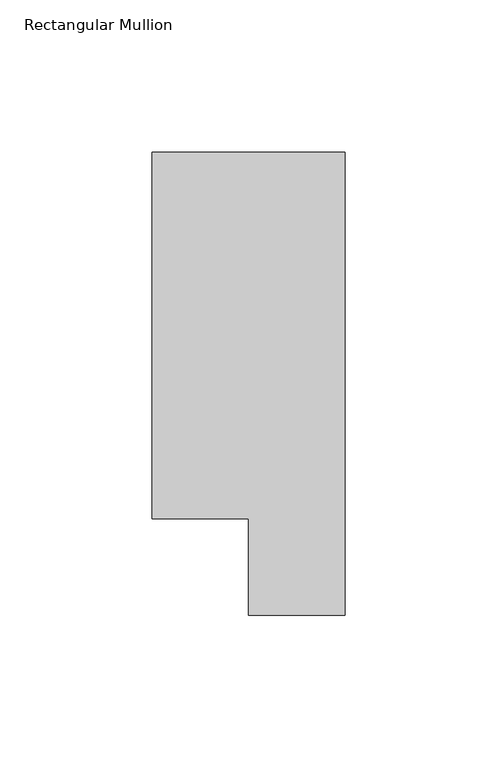
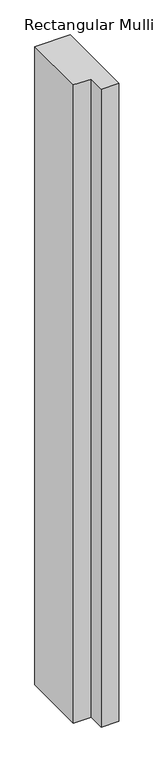
"""IFC4 building model written with IfcOpenShell, lengths in millimetres: member geometry, Rectangular Mullion."""

import ifcopenshell
import ifcopenshell.guid

model = None  # the IFC model being written
_history = None  # IfcOwnerHistory: only IFC2X3 demands one
_inside = {}  # id of a spatial element -> (the spatial element, [elements in it])
_under = {}  # id of a project, library or spatial element -> (it, [spatial elements below it])
_declared = {}  # id of a project -> (the project, [libraries it declares])
_typed = {}  # id of a type object -> (the type object, [elements of that type])
_made_of = {}  # id of a material, layer set ... -> (it, [elements and type objects made of it])


def new_model(schema):
    """Start an empty IFC model of exactly this schema.

    Asked for "IFC4X3", IfcOpenShell would pick the latest addendum, in which some entities
    have other attributes; the version numbers below select the first issue.
    IFC2X3 requires an IfcOwnerHistory on every rooted entity: one is made here for all.
    """
    global model, _history
    if schema == "IFC4X3":
        model = ifcopenshell.file(schema_version=(4, 3, 0, 0))
    else:
        model = ifcopenshell.file(schema=schema)
    _inside.clear()
    _under.clear()
    _declared.clear()
    _typed.clear()
    _made_of.clear()
    _history = None
    if model.schema == "IFC2X3":
        org = make("IfcOrganization", Name="unknown")
        user = make(
            "IfcPersonAndOrganization",
            ThePerson=make("IfcPerson", FamilyName="unknown"),
            TheOrganization=org,
        )
        app = make(
            "IfcApplication",
            ApplicationDeveloper=org,
            Version="unknown",
            ApplicationFullName="unknown",
            ApplicationIdentifier="unknown",
        )
        _history = make(
            "IfcOwnerHistory",
            OwningUser=user,
            OwningApplication=app,
            ChangeAction="ADDED",
            CreationDate=0,
        )
    return model


def make(cls, **values):
    """One entity of the class cls with the attributes given. An attribute that is None is left unset."""
    return model.create_entity(
        cls, **{name: value for name, value in values.items() if value is not None}
    )


def rooted(cls, **values):
    """An entity with a GlobalId (a new one), such as an element, a storey or a relation."""
    return make(cls, GlobalId=ifcopenshell.guid.new(), OwnerHistory=_history, **values)


def si_unit(unit_type, name, prefix=None):
    """IfcSIUnit, for example si_unit("LENGTHUNIT", "METRE", prefix="MILLI")."""
    return make("IfcSIUnit", UnitType=unit_type, Prefix=prefix, Name=name)


def assignment(units):
    """IfcUnitAssignment: the units of a project."""
    return None if units is None else make("IfcUnitAssignment", Units=units)


def point(xyz):
    """IfcCartesianPoint."""
    return None if xyz is None else make("IfcCartesianPoint", Coordinates=xyz)


def direction(xyz):
    """IfcDirection."""
    return None if xyz is None else make("IfcDirection", DirectionRatios=xyz)


def frame(location, z_axis=None, x_axis=None):
    """IfcAxis2Placement3D, a coordinate frame: its origin and axes. An axis left out is left unset."""
    return make(
        "IfcAxis2Placement3D",
        Location=point(location),
        Axis=direction(z_axis),
        RefDirection=direction(x_axis),
    )


def origin():
    """The frame at (0, 0, 0) with its axes left unset."""
    return frame((0.0, 0.0, 0.0))


def place(relative_to, where):
    """IfcLocalPlacement: puts the frame where relative to a parent placement (None: the world)."""
    return make(
        "IfcLocalPlacement", PlacementRelTo=relative_to, RelativePlacement=where
    )


def context(
    kind, dimensions, precision=None, world=None, true_north=None, identifier=None
):
    """IfcGeometricRepresentationContext, for example the 3D "Model" context."""
    return make(
        "IfcGeometricRepresentationContext",
        ContextIdentifier=identifier,
        ContextType=kind,
        CoordinateSpaceDimension=dimensions,
        Precision=precision,
        WorldCoordinateSystem=world,
        TrueNorth=true_north,
    )


def project(units=None, contexts=None):
    """IfcProject with its units and contexts."""
    return rooted(
        "IfcProject",
        Name="project",
        RepresentationContexts=contexts,
        UnitsInContext=assignment(units),
    )


def spatial(cls, under=None, at=None, **own):
    """A site, building, storey or space (cls), placed at a placement, below another one or the project."""
    s = rooted(cls, ObjectPlacement=at, **own)
    if under is not None:
        _under.setdefault(under.id(), (under, []))[1].append(s)
    return s


def polyline(points):
    """IfcPolyline through the points."""
    return make("IfcPolyline", Points=[point(p) for p in points])


def outline(outer, holes=None, kind="AREA"):
    """IfcArbitraryClosedProfileDef: a profile drawn as a closed curve; with holes, ...WithVoids."""
    if holes is None:
        return make("IfcArbitraryClosedProfileDef", ProfileType=kind, OuterCurve=outer)
    return make(
        "IfcArbitraryProfileDefWithVoids",
        ProfileType=kind,
        OuterCurve=outer,
        InnerCurves=holes,
    )


def extrude(swept, where, along, depth):
    """IfcExtrudedAreaSolid: the profile swept, set in the frame where, extruded along a direction by depth."""
    return make(
        "IfcExtrudedAreaSolid",
        SweptArea=swept,
        Position=where,
        ExtrudedDirection=direction(along),
        Depth=depth,
    )


def shape(context_of_items, identifier, shape_type, items):
    """IfcShapeRepresentation: the items that make up one representation, for example the "Body"."""
    return make(
        "IfcShapeRepresentation",
        ContextOfItems=context_of_items,
        RepresentationIdentifier=identifier,
        RepresentationType=shape_type,
        Items=items,
    )


def source(mapping_origin, context_of_items, identifier, shape_type, items):
    """IfcRepresentationMap: a shape defined once, which mapped items show again and again."""
    return make(
        "IfcRepresentationMap",
        MappingOrigin=mapping_origin,
        MappedRepresentation=shape(context_of_items, identifier, shape_type, items),
    )


def transform(
    local_origin,
    x_axis=None,
    y_axis=None,
    z_axis=None,
    scale=None,
    scale2=None,
    scale3=None,
    uniform=True,
):
    """IfcCartesianTransformationOperator3D, or its non-uniform kind. x_axis, y_axis, z_axis: its Axis1, 2, 3."""
    if uniform:
        return make(
            "IfcCartesianTransformationOperator3D",
            Axis1=direction(x_axis),
            Axis2=direction(y_axis),
            LocalOrigin=point(local_origin),
            Scale=scale,
            Axis3=direction(z_axis),
        )
    return make(
        "IfcCartesianTransformationOperator3DnonUniform",
        Axis1=direction(x_axis),
        Axis2=direction(y_axis),
        LocalOrigin=point(local_origin),
        Scale=scale,
        Axis3=direction(z_axis),
        Scale2=scale2,
        Scale3=scale3,
    )


def mapped(mapping_source, mapping_target):
    """IfcMappedItem: shows the shape of a source again, moved by a transform."""
    return make(
        "IfcMappedItem", MappingSource=mapping_source, MappingTarget=mapping_target
    )


def made_of(thing, what):
    """Note that an element or type object is made of a material, layer set ...; save() writes the relation."""
    if what is not None:
        _made_of.setdefault(what.id(), (what, []))[1].append(thing)
    return thing


def element(
    cls,
    number,
    at=None,
    inside=None,
    cuts=None,
    type_object=None,
    material=None,
    context=None,
    identifier="Body",
    shape_type=None,
    held_by="IfcProductDefinitionShape",
    body=None,
    shapes=None,
    **own,
):
    """One element of the class cls, such as IfcWall. Its Tag is "e" and its number.

    at: its placement. inside: the storey or other place that contains it. cuts: it is an
    opening in that element (IfcRelVoidsElement). A single representation is given by context,
    identifier, shape_type and body (its items); several are given by shapes. held_by: the class
    of the entity that holds the representations. save() writes the other relations.
    """
    e = rooted(cls, Tag="e%d" % number, ObjectPlacement=at, **own)
    if body is not None:
        shapes = [shape(context, identifier, shape_type, body)]
    if shapes is not None:
        e.Representation = make(held_by, Representations=shapes)
    if inside is not None:
        _inside.setdefault(inside.id(), (inside, []))[1].append(e)
    if cuts is not None:
        rooted(
            "IfcRelVoidsElement", RelatingBuildingElement=cuts, RelatedOpeningElement=e
        )
    if type_object is not None:
        _typed.setdefault(type_object.id(), (type_object, []))[1].append(e)
    return made_of(e, material)


def aggregate(whole, parts):
    """IfcRelAggregates: a whole, such as a stair, and the parts it consists of."""
    return rooted("IfcRelAggregates", RelatingObject=whole, RelatedObjects=parts)


def save(model, path):
    """Write the relations noted so far, then the file.

    IfcRelAggregates (storeys below a building ...), IfcRelContainedInSpatialStructure (elements
    in a storey), IfcRelDefinesByType, IfcRelAssociatesMaterial and IfcRelDeclares: one each for
    every whole, place, type object, material and project.
    """
    for whole, parts in _under.values():
        aggregate(whole, parts)
    for where, things in _inside.values():
        rooted(
            "IfcRelContainedInSpatialStructure",
            RelatedElements=things,
            RelatingStructure=where,
        )
    for kind, things in _typed.values():
        rooted("IfcRelDefinesByType", RelatedObjects=things, RelatingType=kind)
    for what, things in _made_of.values():
        rooted("IfcRelAssociatesMaterial", RelatedObjects=things, RelatingMaterial=what)
    for by, libraries in _declared.values():
        rooted("IfcRelDeclares", RelatingContext=by, RelatedDefinitions=libraries)
    model.write(path)


def rectangular_mullion_27081ef3(model_context):
    return source(origin(), model_context, "Body", "SweptSolid", [
        extrude(outline(polyline([(-31.75, 152.4), (31.75, 152.4), (31.75, 0.0), (0.0, 0.0), (0.0, 31.75), (-31.75, 31.75), (-31.75, 152.4)])), frame((0.0, 0.0, -1219.2), z_axis=(0.0, 0.0, 1.0), x_axis=(1.0, 0.0, 0.0)), (0.0, 0.0, 1.0), 1219.2),
    ])


if __name__ == "__main__":
    model = new_model("IFC4")
    model_context = context("Model", 3, world=origin())
    ifc_project = project(units=[si_unit("LENGTHUNIT", "METRE", prefix="MILLI")], contexts=[model_context])
    site = spatial("IfcSite", under=ifc_project)
    building = spatial("IfcBuilding", under=site)
    placement = place(None, origin())
    rectangular_mullion_shape = rectangular_mullion_27081ef3(model_context)
    element("IfcMember", 1, ObjectType="Rectangular Mullion", at=placement, inside=building, context=model_context, shape_type="MappedRepresentation", body=[
        mapped(rectangular_mullion_shape, transform((0.0, 0.0, 0.0), x_axis=(1.0, 0.0, 0.0), y_axis=(0.0, 1.0, 0.0), z_axis=(0.0, 0.0, 1.0))),
    ])
    save(model, "model.ifc")
